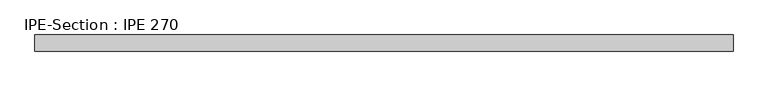
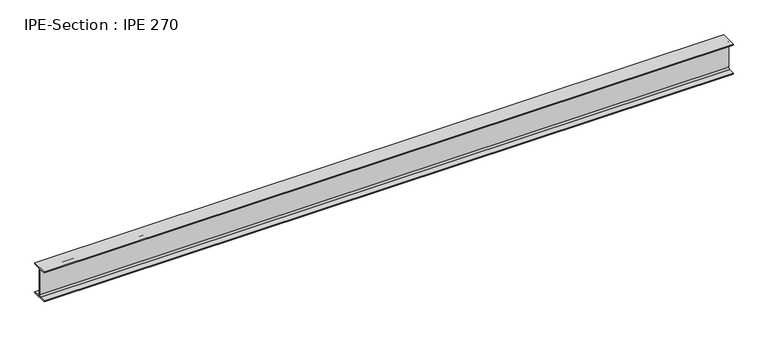
"""IFC4 building model written with IfcOpenShell, lengths in millimetres: beam geometry, IPE-Section : IPE 270."""

from ifc_helpers import new_model, si_unit, point, frame, frame_2d, origin, place, context, project, spatial, polyline, circle_curve, trimmed, segment, composite_curve, outline, extrude, source, transform, mapped, element, save


def ipe_section_ipe_270_2ff665cc(model_context):
    return source(origin(), model_context, "Body", "SweptSolid", [
        extrude(outline(composite_curve([segment(polyline([(-67.5, -124.8), (-18.3, -124.8)]), True, "CONTINUOUS"), segment(trimmed(circle_curve(frame_2d((-18.3, -109.8)), 15.0), [point((-18.3, -124.8))], [point((-3.3, -109.8))], True, "CARTESIAN"), True, "CONTINUOUS"), segment(polyline([(-3.3, -109.8), (-3.3, 109.8)]), True, "CONTINUOUS"), segment(trimmed(circle_curve(frame_2d((-18.3, 109.8)), 15.0), [point((-3.3, 109.8))], [point((-18.3, 124.8))], True, "CARTESIAN"), True, "CONTINUOUS"), segment(polyline([(-18.3, 124.8), (-67.5, 124.8), (-67.5, 135.0), (67.5, 135.0), (67.5, 124.8), (18.3, 124.8)]), True, "CONTINUOUS"), segment(trimmed(circle_curve(frame_2d((18.3, 109.8)), 15.0), [point((18.3, 124.8))], [point((3.3, 109.8))], True, "CARTESIAN"), True, "CONTINUOUS"), segment(polyline([(3.3, 109.8), (3.3, -109.8)]), True, "CONTINUOUS"), segment(trimmed(circle_curve(frame_2d((18.3, -109.8)), 15.0), [point((3.3, -109.8))], [point((18.3, -124.8))], True, "CARTESIAN"), True, "CONTINUOUS"), segment(polyline([(18.3, -124.8), (67.5, -124.8), (67.5, -135.0), (-67.5, -135.0), (-67.5, -124.8)]), True, "CONTINUOUS")], self_intersect=False)), frame((-2909.4681778, 0.0, 0.0), z_axis=(1.0, 0.0, 0.0), x_axis=(0.0, 1.0, 0.0)), (0.0, 0.0, 1.0), 5827.9547224),
    ])


if __name__ == "__main__":
    model = new_model("IFC4")
    model_context = context("Model", 3, world=origin())
    ifc_project = project(units=[si_unit("LENGTHUNIT", "METRE", prefix="MILLI")], contexts=[model_context])
    site = spatial("IfcSite", under=ifc_project)
    building = spatial("IfcBuilding", under=site)
    placement = place(None, origin())
    ipe_section_ipe_270_shape = ipe_section_ipe_270_2ff665cc(model_context)
    element("IfcBeam", 1, ObjectType="IPE-Section : IPE 270", at=placement, inside=building, context=model_context, shape_type="MappedRepresentation", body=[
        mapped(ipe_section_ipe_270_shape, transform((0.0, 0.0, 0.0), x_axis=(1.0, 0.0, 0.0), y_axis=(0.0, 1.0, 0.0), z_axis=(0.0, 0.0, 1.0))),
    ])
    save(model, "model.ifc")
